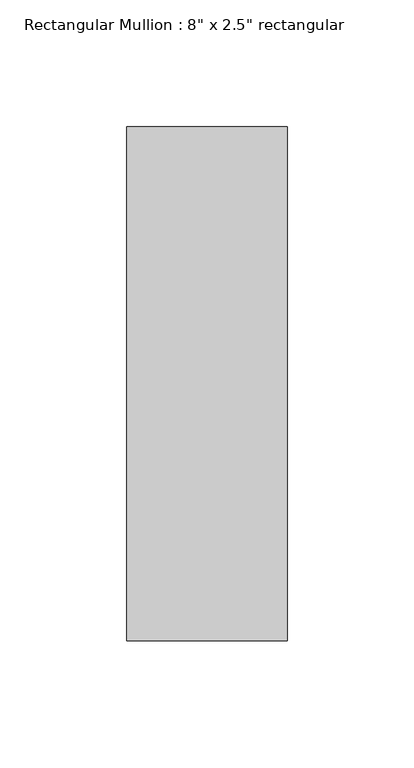
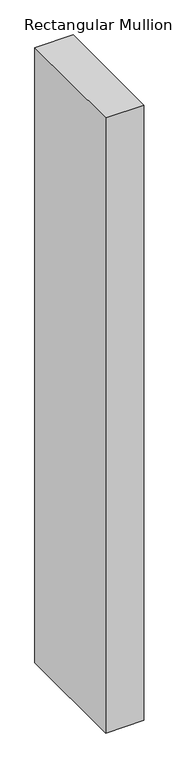
"""IFC4 building model written with IfcOpenShell, lengths in millimetres: member geometry."""

from ifc_helpers import new_model, si_unit, frame, origin, place, context, project, spatial, polyline, outline, extrude, source, transform, mapped, element, save


def member_c1a398b3(model_context):
    return source(origin(), model_context, "Body", "SweptSolid", [
        extrude(outline(polyline([(31.75, 88.9), (31.75, -114.3), (-31.75, -114.3), (-31.75, 88.9), (31.75, 88.9)])), frame((0.0, 0.0, -1080.0), z_axis=(0.0, 0.0, 1.0), x_axis=(1.0, 0.0, 0.0)), (0.0, 0.0, 1.0), 1080.0),
    ])


if __name__ == "__main__":
    model = new_model("IFC4")
    model_context = context("Model", 3, world=origin())
    ifc_project = project(units=[si_unit("LENGTHUNIT", "METRE", prefix="MILLI")], contexts=[model_context])
    site = spatial("IfcSite", under=ifc_project)
    building = spatial("IfcBuilding", under=site)
    placement = place(None, origin())
    member_shape = member_c1a398b3(model_context)
    element("IfcMember", 1, ObjectType="Rectangular Mullion : 8\" x 2.5\" rectangular", at=placement, inside=building, context=model_context, shape_type="MappedRepresentation", body=[
        mapped(member_shape, transform((0.0, 0.0, 0.0), x_axis=(1.0, 0.0, 0.0), y_axis=(0.0, 1.0, 0.0), z_axis=(0.0, 0.0, 1.0))),
    ])
    save(model, "model.ifc")
